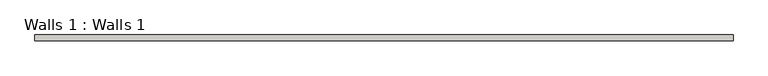
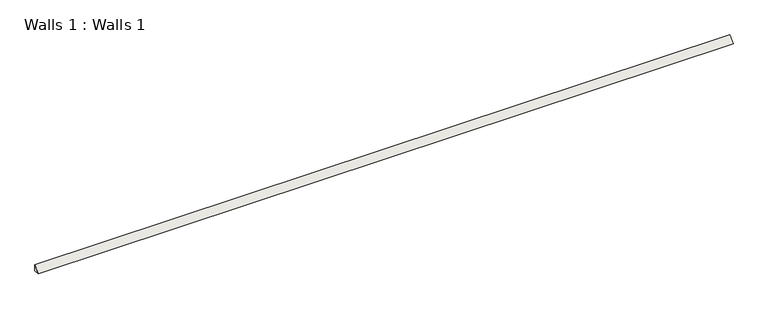
"""IFC4 building model written with IfcOpenShell, lengths in millimetres: wall geometry, Walls 1 : Walls 1."""

import ifcopenshell
import ifcopenshell.guid

model = None  # the IFC model being written
_history = None  # IfcOwnerHistory: only IFC2X3 demands one
_inside = {}  # id of a spatial element -> (the spatial element, [elements in it])
_under = {}  # id of a project, library or spatial element -> (it, [spatial elements below it])
_declared = {}  # id of a project -> (the project, [libraries it declares])
_typed = {}  # id of a type object -> (the type object, [elements of that type])
_made_of = {}  # id of a material, layer set ... -> (it, [elements and type objects made of it])


def new_model(schema):
    """Start an empty IFC model of exactly this schema.

    Asked for "IFC4X3", IfcOpenShell would pick the latest addendum, in which some entities
    have other attributes; the version numbers below select the first issue.
    IFC2X3 requires an IfcOwnerHistory on every rooted entity: one is made here for all.
    """
    global model, _history
    if schema == "IFC4X3":
        model = ifcopenshell.file(schema_version=(4, 3, 0, 0))
    else:
        model = ifcopenshell.file(schema=schema)
    _inside.clear()
    _under.clear()
    _declared.clear()
    _typed.clear()
    _made_of.clear()
    _history = None
    if model.schema == "IFC2X3":
        org = make("IfcOrganization", Name="unknown")
        user = make(
            "IfcPersonAndOrganization",
            ThePerson=make("IfcPerson", FamilyName="unknown"),
            TheOrganization=org,
        )
        app = make(
            "IfcApplication",
            ApplicationDeveloper=org,
            Version="unknown",
            ApplicationFullName="unknown",
            ApplicationIdentifier="unknown",
        )
        _history = make(
            "IfcOwnerHistory",
            OwningUser=user,
            OwningApplication=app,
            ChangeAction="ADDED",
            CreationDate=0,
        )
    return model


def make(cls, **values):
    """One entity of the class cls with the attributes given. An attribute that is None is left unset."""
    return model.create_entity(
        cls, **{name: value for name, value in values.items() if value is not None}
    )


def rooted(cls, **values):
    """An entity with a GlobalId (a new one), such as an element, a storey or a relation."""
    return make(cls, GlobalId=ifcopenshell.guid.new(), OwnerHistory=_history, **values)


def si_unit(unit_type, name, prefix=None):
    """IfcSIUnit, for example si_unit("LENGTHUNIT", "METRE", prefix="MILLI")."""
    return make("IfcSIUnit", UnitType=unit_type, Prefix=prefix, Name=name)


def assignment(units):
    """IfcUnitAssignment: the units of a project."""
    return None if units is None else make("IfcUnitAssignment", Units=units)


def point(xyz):
    """IfcCartesianPoint."""
    return None if xyz is None else make("IfcCartesianPoint", Coordinates=xyz)


def direction(xyz):
    """IfcDirection."""
    return None if xyz is None else make("IfcDirection", DirectionRatios=xyz)


def frame(location, z_axis=None, x_axis=None):
    """IfcAxis2Placement3D, a coordinate frame: its origin and axes. An axis left out is left unset."""
    return make(
        "IfcAxis2Placement3D",
        Location=point(location),
        Axis=direction(z_axis),
        RefDirection=direction(x_axis),
    )


def origin():
    """The frame at (0, 0, 0) with its axes left unset."""
    return frame((0.0, 0.0, 0.0))


def place(relative_to, where):
    """IfcLocalPlacement: puts the frame where relative to a parent placement (None: the world)."""
    return make(
        "IfcLocalPlacement", PlacementRelTo=relative_to, RelativePlacement=where
    )


def context(
    kind, dimensions, precision=None, world=None, true_north=None, identifier=None
):
    """IfcGeometricRepresentationContext, for example the 3D "Model" context."""
    return make(
        "IfcGeometricRepresentationContext",
        ContextIdentifier=identifier,
        ContextType=kind,
        CoordinateSpaceDimension=dimensions,
        Precision=precision,
        WorldCoordinateSystem=world,
        TrueNorth=true_north,
    )


def project(units=None, contexts=None):
    """IfcProject with its units and contexts."""
    return rooted(
        "IfcProject",
        Name="project",
        RepresentationContexts=contexts,
        UnitsInContext=assignment(units),
    )


def spatial(cls, under=None, at=None, **own):
    """A site, building, storey or space (cls), placed at a placement, below another one or the project."""
    s = rooted(cls, ObjectPlacement=at, **own)
    if under is not None:
        _under.setdefault(under.id(), (under, []))[1].append(s)
    return s


def polyline(points):
    """IfcPolyline through the points."""
    return make("IfcPolyline", Points=[point(p) for p in points])


def outline(outer, holes=None, kind="AREA"):
    """IfcArbitraryClosedProfileDef: a profile drawn as a closed curve; with holes, ...WithVoids."""
    if holes is None:
        return make("IfcArbitraryClosedProfileDef", ProfileType=kind, OuterCurve=outer)
    return make(
        "IfcArbitraryProfileDefWithVoids",
        ProfileType=kind,
        OuterCurve=outer,
        InnerCurves=holes,
    )


def extrude(swept, where, along, depth):
    """IfcExtrudedAreaSolid: the profile swept, set in the frame where, extruded along a direction by depth."""
    return make(
        "IfcExtrudedAreaSolid",
        SweptArea=swept,
        Position=where,
        ExtrudedDirection=direction(along),
        Depth=depth,
    )


def shape(context_of_items, identifier, shape_type, items):
    """IfcShapeRepresentation: the items that make up one representation, for example the "Body"."""
    return make(
        "IfcShapeRepresentation",
        ContextOfItems=context_of_items,
        RepresentationIdentifier=identifier,
        RepresentationType=shape_type,
        Items=items,
    )


def source(mapping_origin, context_of_items, identifier, shape_type, items):
    """IfcRepresentationMap: a shape defined once, which mapped items show again and again."""
    return make(
        "IfcRepresentationMap",
        MappingOrigin=mapping_origin,
        MappedRepresentation=shape(context_of_items, identifier, shape_type, items),
    )


def transform(
    local_origin,
    x_axis=None,
    y_axis=None,
    z_axis=None,
    scale=None,
    scale2=None,
    scale3=None,
    uniform=True,
):
    """IfcCartesianTransformationOperator3D, or its non-uniform kind. x_axis, y_axis, z_axis: its Axis1, 2, 3."""
    if uniform:
        return make(
            "IfcCartesianTransformationOperator3D",
            Axis1=direction(x_axis),
            Axis2=direction(y_axis),
            LocalOrigin=point(local_origin),
            Scale=scale,
            Axis3=direction(z_axis),
        )
    return make(
        "IfcCartesianTransformationOperator3DnonUniform",
        Axis1=direction(x_axis),
        Axis2=direction(y_axis),
        LocalOrigin=point(local_origin),
        Scale=scale,
        Axis3=direction(z_axis),
        Scale2=scale2,
        Scale3=scale3,
    )


def mapped(mapping_source, mapping_target):
    """IfcMappedItem: shows the shape of a source again, moved by a transform."""
    return make(
        "IfcMappedItem", MappingSource=mapping_source, MappingTarget=mapping_target
    )


def made_of(thing, what):
    """Note that an element or type object is made of a material, layer set ...; save() writes the relation."""
    if what is not None:
        _made_of.setdefault(what.id(), (what, []))[1].append(thing)
    return thing


def element(
    cls,
    number,
    at=None,
    inside=None,
    cuts=None,
    type_object=None,
    material=None,
    context=None,
    identifier="Body",
    shape_type=None,
    held_by="IfcProductDefinitionShape",
    body=None,
    shapes=None,
    **own,
):
    """One element of the class cls, such as IfcWall. Its Tag is "e" and its number.

    at: its placement. inside: the storey or other place that contains it. cuts: it is an
    opening in that element (IfcRelVoidsElement). A single representation is given by context,
    identifier, shape_type and body (its items); several are given by shapes. held_by: the class
    of the entity that holds the representations. save() writes the other relations.
    """
    e = rooted(cls, Tag="e%d" % number, ObjectPlacement=at, **own)
    if body is not None:
        shapes = [shape(context, identifier, shape_type, body)]
    if shapes is not None:
        e.Representation = make(held_by, Representations=shapes)
    if inside is not None:
        _inside.setdefault(inside.id(), (inside, []))[1].append(e)
    if cuts is not None:
        rooted(
            "IfcRelVoidsElement", RelatingBuildingElement=cuts, RelatedOpeningElement=e
        )
    if type_object is not None:
        _typed.setdefault(type_object.id(), (type_object, []))[1].append(e)
    return made_of(e, material)


def aggregate(whole, parts):
    """IfcRelAggregates: a whole, such as a stair, and the parts it consists of."""
    return rooted("IfcRelAggregates", RelatingObject=whole, RelatedObjects=parts)


def save(model, path):
    """Write the relations noted so far, then the file.

    IfcRelAggregates (storeys below a building ...), IfcRelContainedInSpatialStructure (elements
    in a storey), IfcRelDefinesByType, IfcRelAssociatesMaterial and IfcRelDeclares: one each for
    every whole, place, type object, material and project.
    """
    for whole, parts in _under.values():
        aggregate(whole, parts)
    for where, things in _inside.values():
        rooted(
            "IfcRelContainedInSpatialStructure",
            RelatedElements=things,
            RelatingStructure=where,
        )
    for kind, things in _typed.values():
        rooted("IfcRelDefinesByType", RelatedObjects=things, RelatingType=kind)
    for what, things in _made_of.values():
        rooted("IfcRelAssociatesMaterial", RelatedObjects=things, RelatingMaterial=what)
    for by, libraries in _declared.values():
        rooted("IfcRelDeclares", RelatingContext=by, RelatedDefinitions=libraries)
    model.write(path)


def walls_1_walls_1_a3105bc8(model_context):
    return source(origin(), model_context, "Body", "SweptSolid", [
        extrude(outline(polyline([(4781.757882, 19.05), (4781.757882, 0.0), (4762.707882, 0.0), (4781.757882, 19.05)])), frame((-2955.2207489, 0.0, 0.0), z_axis=(1.0, 0.0, 0.0), x_axis=(0.0, 1.0, 0.0)), (0.0, 0.0, 1.0), 2260.6),
    ])


if __name__ == "__main__":
    model = new_model("IFC4")
    model_context = context("Model", 3, world=origin())
    ifc_project = project(units=[si_unit("LENGTHUNIT", "METRE", prefix="MILLI")], contexts=[model_context])
    site = spatial("IfcSite", under=ifc_project)
    building = spatial("IfcBuilding", under=site)
    placement = place(None, origin())
    walls_1_walls_1_shape = walls_1_walls_1_a3105bc8(model_context)
    element("IfcWall", 1, ObjectType="Walls 1 : Walls 1", at=placement, inside=building, context=model_context, shape_type="MappedRepresentation", body=[
        mapped(walls_1_walls_1_shape, transform((0.0, 0.0, 0.0), x_axis=(1.0, 0.0, 0.0), y_axis=(0.0, 1.0, 0.0), z_axis=(0.0, 0.0, 1.0))),
    ])
    save(model, "model.ifc")
